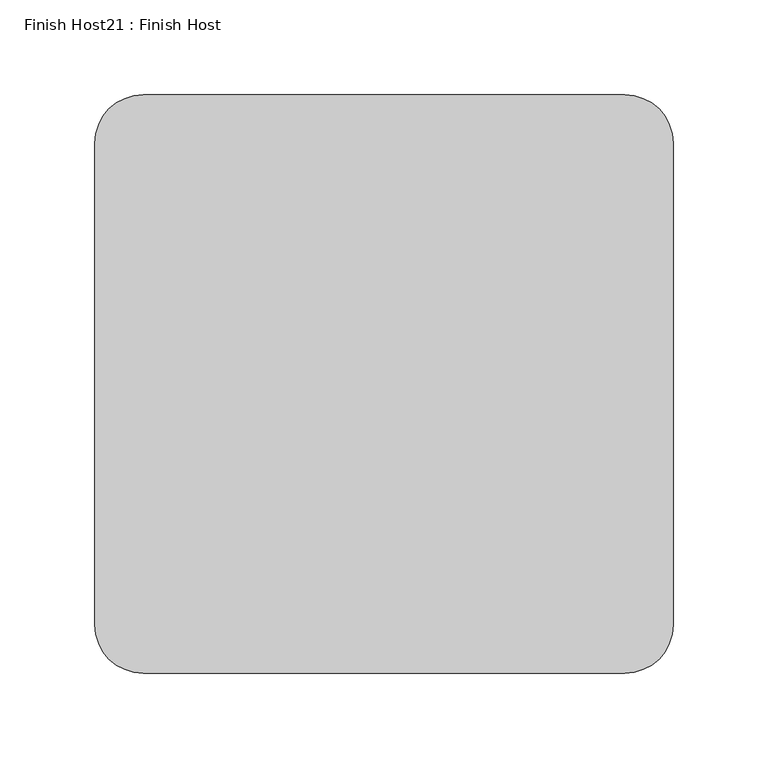
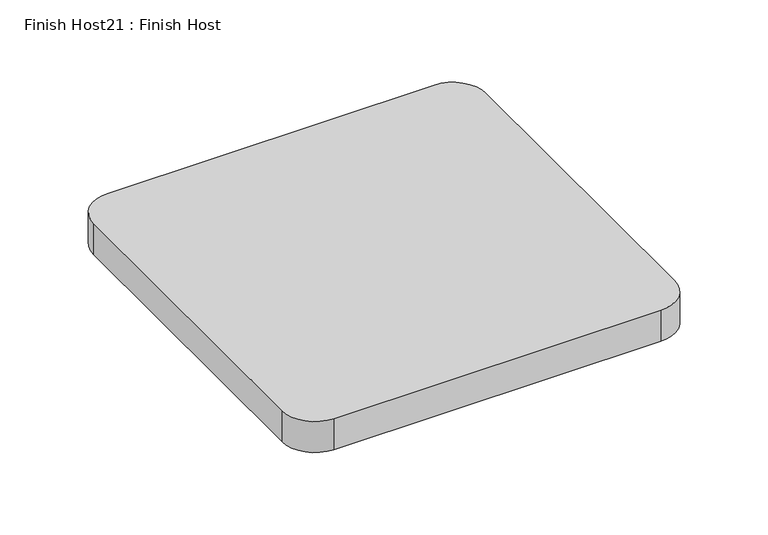
"""IFC4 building model written with IfcOpenShell, lengths in millimetres: proxy geometry, Finish Host21 : Finish Host."""

from ifc_helpers import new_model, si_unit, point, frame_2d, origin, origin_with_axes, place, context, project, spatial, polyline, circle_curve, trimmed, segment, composite_curve, outline, extrude, source, transform, mapped, element, save


def finish_host21_finish_host_1a1d4db5(model_context):
    return source(origin(), model_context, "Body", "SweptSolid", [
        extrude(outline(composite_curve([segment(polyline([(2715.0934426, 2527.6122951), (2715.0934426, 2781.6122951)]), True, "CONTINUOUS"), segment(trimmed(circle_curve(frame_2d((2740.4934426, 2781.6122951)), 25.4), [point((2715.0934426, 2781.6122951))], [point((2740.4934426, 2807.0122951))], False, "CARTESIAN"), True, "CONTINUOUS"), segment(polyline([(2740.4934426, 2807.0122951), (2994.4934426, 2807.0122951)]), True, "CONTINUOUS"), segment(trimmed(circle_curve(frame_2d((2994.4934426, 2781.6122951)), 25.4), [point((2994.4934426, 2807.0122951))], [point((3019.8934426, 2781.6122951))], False, "CARTESIAN"), True, "CONTINUOUS"), segment(polyline([(3019.8934426, 2781.6122951), (3019.8934426, 2527.6122951)]), True, "CONTINUOUS"), segment(trimmed(circle_curve(frame_2d((2994.4934426, 2527.6122951)), 25.4), [point((3019.8934426, 2527.6122951))], [point((2994.4934426, 2502.2122951))], False, "CARTESIAN"), True, "CONTINUOUS"), segment(polyline([(2994.4934426, 2502.2122951), (2740.4934426, 2502.2122951)]), True, "CONTINUOUS"), segment(trimmed(circle_curve(frame_2d((2740.4934426, 2527.6122951)), 25.4), [point((2740.4934426, 2502.2122951))], [point((2715.0934426, 2527.6122951))], False, "CARTESIAN"), True, "CONTINUOUS")], self_intersect=False)), origin_with_axes(), (0.0, 0.0, 1.0), 25.4),
    ])


if __name__ == "__main__":
    model = new_model("IFC4")
    model_context = context("Model", 3, world=origin())
    ifc_project = project(units=[si_unit("LENGTHUNIT", "METRE", prefix="MILLI")], contexts=[model_context])
    site = spatial("IfcSite", under=ifc_project)
    building = spatial("IfcBuilding", under=site)
    placement = place(None, origin())
    finish_host21_finish_host_shape = finish_host21_finish_host_1a1d4db5(model_context)
    element("IfcBuildingElementProxy", 1, Name="Finish Host21 : Finish Host", ObjectType="Finish Host21 : Finish Host", at=placement, inside=building, context=model_context, shape_type="MappedRepresentation", body=[
        mapped(finish_host21_finish_host_shape, transform((0.0, 0.0, 0.0), x_axis=(1.0, 0.0, 0.0), y_axis=(0.0, 1.0, 0.0), z_axis=(0.0, 0.0, 1.0))),
    ])
    save(model, "model.ifc")
